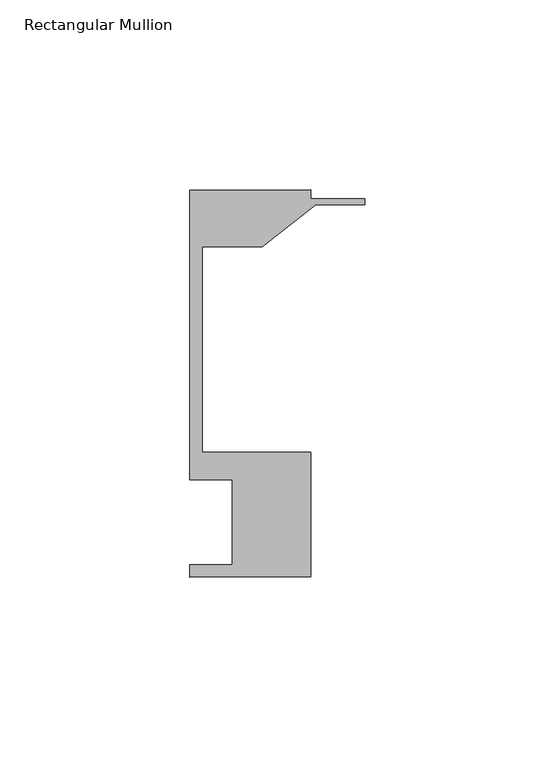
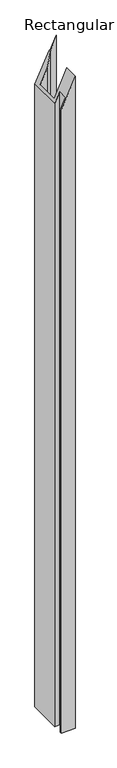
"""IFC4 building model written with IfcOpenShell, lengths in millimetres: member geometry, Rectangular Mullion."""

from ifc_helpers import new_model, si_unit, origin, place, context, project, spatial, faceted_brep, source, transform, mapped, element, save


def rectangular_mullion_fcc42202(model_context):
    return source(origin(), model_context, "Body", "Brep", [
        faceted_brep([(-46.0248, 12.6444375, -1574.8178996), (-46.0248, 15.8194375, -1574.8178996), (-34.9123, 15.8194375, -1574.8178996), (-34.9123, 38.2984375, -1574.8178996), (-46.0248, 38.2984375, -1574.8178996), (-46.0248, 114.4984375, -1574.8178996), (-14.2748, 114.4984375, -1574.8178996), (-14.2748, 112.2124375, -1574.8178996), (0.0, 112.2124375, -1574.8178996), (0.0, 110.6249375, -1574.8178996), (-12.9857923, 110.6249375, -1574.8178996), (-27.0068481, 99.5124375, -1574.8178996), (-42.8498, 99.5124375, -1574.8178996), (-42.8498, 45.4358375, -1574.8178996), (-14.2748, 45.4358375, -1574.8178996), (-14.2748, 12.6444375, -1574.8178996), (-27.0068481, 99.5124375, -59.1153185), (-42.8498, 99.5124375, -93.7939726), (-34.9123, 15.8194375, -76.4195705), (-34.9123, 38.2984375, -76.4195705), (-46.0248, 38.2984375, -100.7437335), (-46.0248, 114.4984375, -100.7437335), (-14.2748, 114.4984375, -31.2461248), (-46.0248, 15.8194375, -100.7437335), (-14.2748, 112.2124375, -31.2461248), (0.0, 112.2124375, 0.0), (0.0, 110.6249375, 0.0), (-12.9857923, 110.6249375, -28.4246145), (-14.2748, 12.6444375, -31.2461248), (-46.0248, 12.6444375, -100.7437335), (-14.2748, 45.4358375, -31.2461248), (-42.8498, 45.4358375, -93.7939726)], [[[0, 1, 2, 3, 4, 5, 6, 7, 8, 9, 10, 11, 12, 13, 14, 15]], [[16, 17, 12, 11]], [[18, 19, 3, 2]], [[19, 20, 4, 3]], [[20, 21, 5, 4]], [[21, 22, 6, 5]], [[23, 18, 2, 1]], [[22, 24, 7, 6]], [[24, 25, 8, 7]], [[25, 26, 9, 8]], [[26, 27, 10, 9]], [[27, 16, 11, 10]], [[28, 29, 0, 15]], [[30, 28, 15, 14]], [[31, 30, 14, 13]], [[17, 31, 13, 12]], [[29, 23, 1, 0]], [[29, 28, 30, 31, 17, 16, 27, 26, 25, 24, 22, 21, 20, 19, 18, 23]]]),
    ])


if __name__ == "__main__":
    model = new_model("IFC4")
    model_context = context("Model", 3, world=origin())
    ifc_project = project(units=[si_unit("LENGTHUNIT", "METRE", prefix="MILLI")], contexts=[model_context])
    site = spatial("IfcSite", under=ifc_project)
    building = spatial("IfcBuilding", under=site)
    placement = place(None, origin())
    rectangular_mullion_shape = rectangular_mullion_fcc42202(model_context)
    element("IfcMember", 1, ObjectType="Rectangular Mullion", at=placement, inside=building, context=model_context, shape_type="MappedRepresentation", body=[
        mapped(rectangular_mullion_shape, transform((0.0, 0.0, 0.0), x_axis=(1.0, 0.0, 0.0), y_axis=(0.0, 1.0, 0.0), z_axis=(0.0, 0.0, 1.0))),
    ])
    save(model, "model.ifc")
